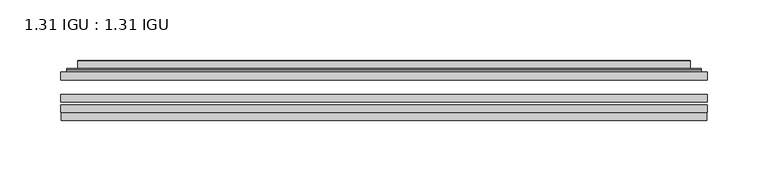
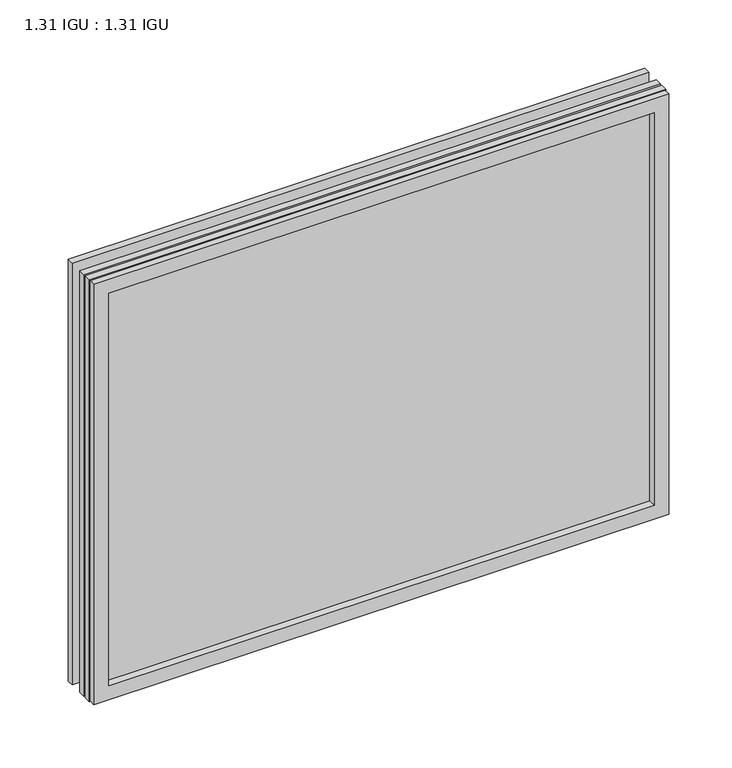
"""IFC4 building model written with IfcOpenShell, lengths in millimetres: plate geometry, 1.31 IGU : 1.31 IGU."""

from ifc_helpers import new_model, si_unit, frame, origin, place, context, project, spatial, polyline, ellipse_curve, outline, extrude, faceted_brep, source, transform, mapped, element, save
from ifc_brep_helpers import plane_surface, cylinder_surface, advanced_brep


def plate_1_31_igu_1_31_igu_c55d1256(model_context):
    return source(origin(), model_context, "Body", "SolidModel", [
        extrude(outline(polyline([(266.7140393, -63.59525), (266.7140393, -69.94525), (-266.6998644, -69.94525), (-266.6998644, -63.59525), (266.7140393, -63.59525)])), frame((0.0, 0.0, -14.2875), z_axis=(0.0, 0.0, 1.0), x_axis=(1.0, 0.0, 0.0)), (0.0, 0.0, 1.0), 412.7537979),
        extrude(outline(polyline([(-266.6998644, -78.58125), (-266.6998644, -72.230745), (266.7140393, -72.230745), (266.7140393, -78.58125), (-266.6998644, -78.58125)])), frame((0.0, 0.0, -14.2875), z_axis=(0.0, 0.0, 1.0), x_axis=(1.0, 0.0, 0.0)), (0.0, 0.0, 1.0), 412.7537979),
        extrude(outline(polyline([(266.7140393, -45.25645), (266.7140393, -51.60645), (-266.6998644, -51.60645), (-266.6998644, -45.25645), (266.7140393, -45.25645)])), frame((0.0, 0.0, -14.2875), z_axis=(0.0, 0.0, 1.0), x_axis=(1.0, 0.0, 0.0)), (0.0, 0.0, 1.0), 412.7537979),
        faceted_brep([(-265.9996786, -84.93125, 397.7623142), (-265.9996786, -78.58125, 397.7623142), (-265.9996786, -78.58125, -13.5873142), (-265.9996786, -84.93125, -13.5873142), (265.9996786, -78.58125, -13.5873142), (265.9996786, -84.93125, -13.5873142), (265.9996786, -78.58125, 397.7623142), (265.9996786, -84.93125, 397.7623142), (-251.5146202, -78.58125, 0.8977441), (251.5146202, -78.58125, 0.8977441), (251.5146202, -78.58125, 383.2772559), (-251.5146202, -78.58125, 383.2772559), (-252.4070545, -84.93125, 384.1696902), (252.4070545, -84.93125, 384.1696902), (252.4070545, -84.93125, 0.0053098), (-252.4070545, -84.93125, 0.0053098)], [[[0, 1, 2, 3]], [[3, 2, 4, 5]], [[5, 4, 6, 7]], [[1, 6, 4, 2], [8, 9, 10, 11]], [[7, 6, 1, 0]], [[3, 5, 7, 0], [12, 13, 14, 15]], [[11, 12, 15, 8]], [[8, 15, 14, 9]], [[9, 14, 13, 10]], [[10, 13, 12, 11]]]),
        advanced_brep(
        [(-259.4585834, -45.25645, 391.221219), (-261.8127888, -43.2667833, 393.5754244), (-261.8127888, -43.2667833, -9.4004244), (-259.4585834, -45.25645, -7.046219), (-250.3842583, -41.416413, 382.1468939), (-245.4494264, -45.25645, 377.2120621), (-245.4494264, -45.25645, 6.9629379), (-250.3842583, -41.416413, 2.0281061), (-251.416286, -36.0191819, 383.1789217), (-251.416286, -36.0191819, 0.9960783), (-252.4069428, -35.6202069, 384.1695784), (-252.4069428, -35.6202069, 0.0054216), (-252.4069428, -42.08145, 384.1695784), (-252.4069428, -42.08145, 0.0054216), (-260.8109992, -42.08145, 392.5736349), (-260.8109992, -42.08145, -8.3986349), (261.8127888, -43.2667833, -9.4004244), (259.4585834, -45.25645, -7.046219), (245.4494264, -45.25645, 6.9629379), (250.3842583, -41.416413, 2.0281061), (251.416286, -36.0191819, 0.9960783), (252.4069428, -35.6202069, 0.0054216), (252.4069428, -42.08145, 0.0054216), (260.8109992, -42.08145, -8.3986349), (261.8127888, -43.2667833, 393.5754244), (259.4585834, -45.25645, 391.221219), (245.4494264, -45.25645, 377.2120621), (250.3842583, -41.416413, 382.1468939), (251.416286, -36.0191819, 383.1789217), (252.4069428, -35.6202069, 384.1695784), (252.4069428, -42.08145, 384.1695784), (260.8109992, -42.08145, 392.5736349)],
        [
            (0, 1, ellipse_curve(frame((-259.4585834, -42.86885, 391.221219), z_axis=(-0.7071067811865475, 0.0, -0.7071067811865475), x_axis=(-0.7071067811865474, 0.0, 0.7071067811865476)), 3.3765763, 2.3876)),
            (1, 2),
            (2, 3, ellipse_curve(frame((-259.4585834, -42.86885, -7.046219), z_axis=(-0.7071067811865475, 0.0, 0.7071067811865475), x_axis=(0.7071067811865474, 0.0, 0.7071067811865476)), 3.3765763, 2.3876)),
            (3, 0),
            (4, 5),
            (5, 6),
            (6, 7),
            (7, 4),
            (8, 4),
            (7, 9),
            (9, 8),
            (10, 8, ellipse_curve(frame((-252.0399862, -36.1384423, 383.8026219), z_axis=(-0.7071067811865475, 0.0, -0.7071067811865475), x_axis=(-0.7071067811865474, 0.0, 0.7071067811865476)), 0.8980256, 0.635)),
            (9, 11, ellipse_curve(frame((-252.0399862, -36.1384423, 0.3723781), z_axis=(-0.7071067811865475, 0.0, 0.7071067811865475), x_axis=(0.7071067811865474, 0.0, 0.7071067811865476)), 0.8980256, 0.635)),
            (11, 10),
            (12, 10),
            (11, 13),
            (13, 12),
            (1, 14, ellipse_curve(frame((-260.8109992, -43.09745, 392.5736349), z_axis=(-0.7071067811865475, 0.0, -0.7071067811865475), x_axis=(-0.7071067811865474, 0.0, 0.7071067811865476)), 1.436841, 1.016)),
            (14, 15),
            (15, 2, ellipse_curve(frame((-260.8109992, -43.09745, -8.3986349), z_axis=(-0.7071067811865475, 0.0, 0.7071067811865475), x_axis=(0.7071067811865474, 0.0, 0.7071067811865476)), 1.436841, 1.016)),
            (2, 16),
            (16, 17, ellipse_curve(frame((259.4585834, -42.86885, -7.046219), z_axis=(-0.7071067811865475, 0.0, -0.7071067811865475), x_axis=(-0.7071067811865476, 0.0, 0.7071067811865474)), 3.3765763, 2.3876)),
            (17, 3),
            (6, 18),
            (18, 19),
            (19, 7),
            (19, 20),
            (20, 9),
            (20, 21, ellipse_curve(frame((252.0399862, -36.1384423, 0.3723781), z_axis=(-0.7071067811865475, 0.0, -0.7071067811865475), x_axis=(-0.7071067811865476, 0.0, 0.7071067811865474)), 0.8980256, 0.635)),
            (21, 11),
            (21, 22),
            (22, 13),
            (15, 23),
            (23, 16, ellipse_curve(frame((260.8109992, -43.09745, -8.3986349), z_axis=(-0.7071067811865475, 0.0, -0.7071067811865475), x_axis=(-0.7071067811865476, 0.0, 0.7071067811865474)), 1.436841, 1.016)),
            (16, 24),
            (24, 25, ellipse_curve(frame((259.4585834, -42.86885, 391.221219), z_axis=(0.7071067811865475, 0.0, -0.7071067811865475), x_axis=(-0.7071067811865474, 0.0, -0.7071067811865476)), 3.3765763, 2.3876)),
            (25, 17),
            (18, 26),
            (26, 27),
            (27, 19),
            (27, 28),
            (28, 20),
            (28, 29, ellipse_curve(frame((252.0399862, -36.1384423, 383.8026219), z_axis=(0.7071067811865475, 0.0, -0.7071067811865475), x_axis=(-0.7071067811865474, 0.0, -0.7071067811865476)), 0.8980256, 0.635)),
            (29, 21),
            (29, 30),
            (30, 22),
            (23, 31),
            (31, 24, ellipse_curve(frame((260.8109992, -43.09745, 392.5736349), z_axis=(0.7071067811865475, 0.0, -0.7071067811865475), x_axis=(-0.7071067811865474, 0.0, -0.7071067811865476)), 1.436841, 1.016)),
            (24, 1),
            (0, 25),
            (5, 26),
            (4, 27),
            (8, 28),
            (10, 29),
            (12, 30),
            (14, 31),
        ],
        [
            cylinder_surface(frame((-259.4585834, -42.86885, 415.925), z_axis=(0.0, 0.0, 1.0), x_axis=(-1.0, 0.0, 0.0)), 2.3876),
            plane_surface(frame((-245.4494264, -45.25645, 377.2120621), z_axis=(0.6141233906514794, 0.7892100234124821, 0.0), x_axis=(0.0, 0.0, -1.0))),
            plane_surface(frame((-250.3842583, -41.416413, 382.1468939), z_axis=(0.9822050625507729, 0.18781164793386076, 0.0), x_axis=(0.0, 0.0, -1.0))),
            cylinder_surface(frame((-252.0399862, -36.1384423, 415.925), z_axis=(0.0, 0.0, 1.0), x_axis=(-1.0, 0.0, 0.0)), 0.635),
            plane_surface(frame((-252.4069428, -35.6202069, 384.1695784), z_axis=(-1.0, 0.0, 0.0), x_axis=(0.0, 0.0, -1.0))),
            cylinder_surface(frame((-260.8109992, -43.09745, 415.925), z_axis=(0.0, 0.0, 1.0), x_axis=(-1.0, 0.0, 0.0)), 1.016),
            cylinder_surface(frame((-284.1623644, -42.86885, -7.046219), z_axis=(-1.0, 0.0, 0.0), x_axis=(0.0, 0.0, -1.0)), 2.3876),
            plane_surface(frame((-245.4494264, -45.25645, 6.9629379), z_axis=(0.0, 0.7892100234124841, 0.6141233906514768), x_axis=(1.0, 0.0, 0.0))),
            plane_surface(frame((-250.3842583, -41.416413, 2.0281061), z_axis=(0.0, 0.18781164793386393, 0.9822050625507723), x_axis=(1.0, 0.0, 0.0))),
            cylinder_surface(frame((-284.1623644, -36.1384423, 0.3723781), z_axis=(-1.0, 0.0, 0.0), x_axis=(0.0, 0.0, -1.0)), 0.635),
            plane_surface(frame((-252.4069428, -35.6202069, 0.0054216), z_axis=(0.0, 0.0, -1.0), x_axis=(1.0, 0.0, 0.0))),
            cylinder_surface(frame((-284.1623644, -43.09745, -8.3986349), z_axis=(-1.0, 0.0, 0.0), x_axis=(0.0, 0.0, -1.0)), 1.016),
            cylinder_surface(frame((259.4585834, -42.86885, -31.75), z_axis=(0.0, 0.0, -1.0), x_axis=(1.0, 0.0, 0.0)), 2.3876),
            plane_surface(frame((245.4494264, -45.25645, 6.9629379), z_axis=(-0.6141233906514743, 0.7892100234124861, 0.0), x_axis=(0.0, 0.0, 1.0))),
            plane_surface(frame((250.3842583, -41.416413, 2.0281061), z_axis=(-0.9822050625507718, 0.1878116479338671, 0.0), x_axis=(0.0, 0.0, 1.0))),
            cylinder_surface(frame((252.0399862, -36.1384423, -31.75), z_axis=(0.0, 0.0, -1.0), x_axis=(1.0, 0.0, 0.0)), 0.635),
            plane_surface(frame((252.4069428, -35.6202069, 0.0054216), z_axis=(1.0, 0.0, 0.0), x_axis=(0.0, 0.0, 1.0))),
            cylinder_surface(frame((260.8109992, -43.09745, -31.75), z_axis=(0.0, 0.0, -1.0), x_axis=(1.0, 0.0, 0.0)), 1.016),
            cylinder_surface(frame((284.1623644, -42.86885, 391.221219), z_axis=(1.0, 0.0, 0.0), x_axis=(0.0, 0.0, 1.0)), 2.3876),
            plane_surface(frame((259.4585834, -45.25645, 391.221219), z_axis=(0.0, -1.0, 0.0), x_axis=(-1.0, 0.0, 0.0))),
            plane_surface(frame((245.4494264, -45.25645, 377.2120621), z_axis=(0.0, 0.7892100234124841, -0.6141233906514768), x_axis=(-1.0, 0.0, 0.0))),
            plane_surface(frame((250.3842583, -41.416413, 382.1468939), z_axis=(0.0, 0.18781164793386393, -0.9822050625507723), x_axis=(-1.0, 0.0, 0.0))),
            cylinder_surface(frame((284.1623644, -36.1384423, 383.8026219), z_axis=(1.0, 0.0, 0.0), x_axis=(0.0, 0.0, 1.0)), 0.635),
            plane_surface(frame((252.4069428, -35.6202069, 384.1695784), z_axis=(0.0, 0.0, 1.0), x_axis=(-1.0, 0.0, 0.0))),
            plane_surface(frame((252.4069428, -42.08145, 384.1695784), z_axis=(0.0, 1.0, 0.0), x_axis=(-1.0, 0.0, 0.0))),
            cylinder_surface(frame((284.1623644, -43.09745, 392.5736349), z_axis=(1.0, 0.0, 0.0), x_axis=(0.0, 0.0, 1.0)), 1.016),
        ],
        [
            (0, [[1, 2, 3, 4]]),
            (1, [[5, 6, 7, 8]]),
            (2, [[9, -8, 10, 11]]),
            (3, [[12, -11, 13, 14]]),
            (4, [[15, -14, 16, 17]]),
            (5, [[18, 19, 20, -2]]),
            (6, [[-3, 21, 22, 23]]),
            (7, [[-7, 24, 25, 26]]),
            (8, [[-10, -26, 27, 28]]),
            (9, [[-13, -28, 29, 30]]),
            (10, [[-16, -30, 31, 32]]),
            (11, [[-20, 33, 34, -21]]),
            (12, [[-22, 35, 36, 37]]),
            (13, [[-25, 38, 39, 40]]),
            (14, [[-27, -40, 41, 42]]),
            (15, [[-29, -42, 43, 44]]),
            (16, [[-31, -44, 45, 46]]),
            (17, [[-34, 47, 48, -35]]),
            (18, [[-36, 49, -1, 50]]),
            (19, [[-23, -37, -50, -4], [51, -38, -24, -6]]),
            (20, [[-39, -51, -5, 52]]),
            (21, [[-41, -52, -9, 53]]),
            (22, [[-43, -53, -12, 54]]),
            (23, [[-45, -54, -15, 55]]),
            (24, [[56, -47, -33, -19], [-32, -46, -55, -17]]),
            (25, [[-48, -56, -18, -49]]),
        ],
    ),
    ])


if __name__ == "__main__":
    model = new_model("IFC4")
    model_context = context("Model", 3, world=origin())
    ifc_project = project(units=[si_unit("LENGTHUNIT", "METRE", prefix="MILLI")], contexts=[model_context])
    site = spatial("IfcSite", under=ifc_project)
    building = spatial("IfcBuilding", under=site)
    placement = place(None, origin())
    plate_1_31_igu_1_31_igu_shape = plate_1_31_igu_1_31_igu_c55d1256(model_context)
    element("IfcPlate", 1, ObjectType="1.31 IGU : 1.31 IGU", at=placement, inside=building, context=model_context, shape_type="MappedRepresentation", body=[
        mapped(plate_1_31_igu_1_31_igu_shape, transform((0.0, 0.0, 0.0), x_axis=(1.0, 0.0, 0.0), y_axis=(0.0, 1.0, 0.0), z_axis=(0.0, 0.0, 1.0))),
    ])
    save(model, "model.ifc")
